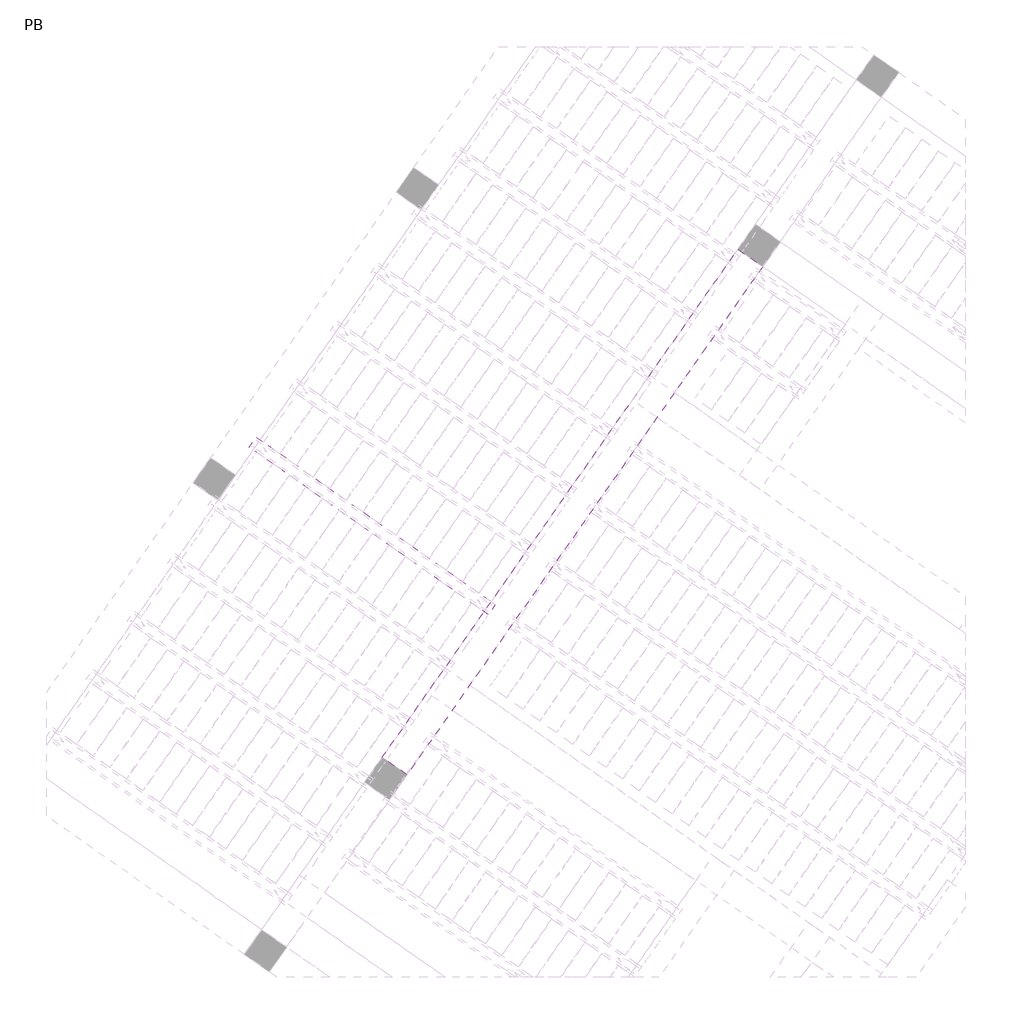
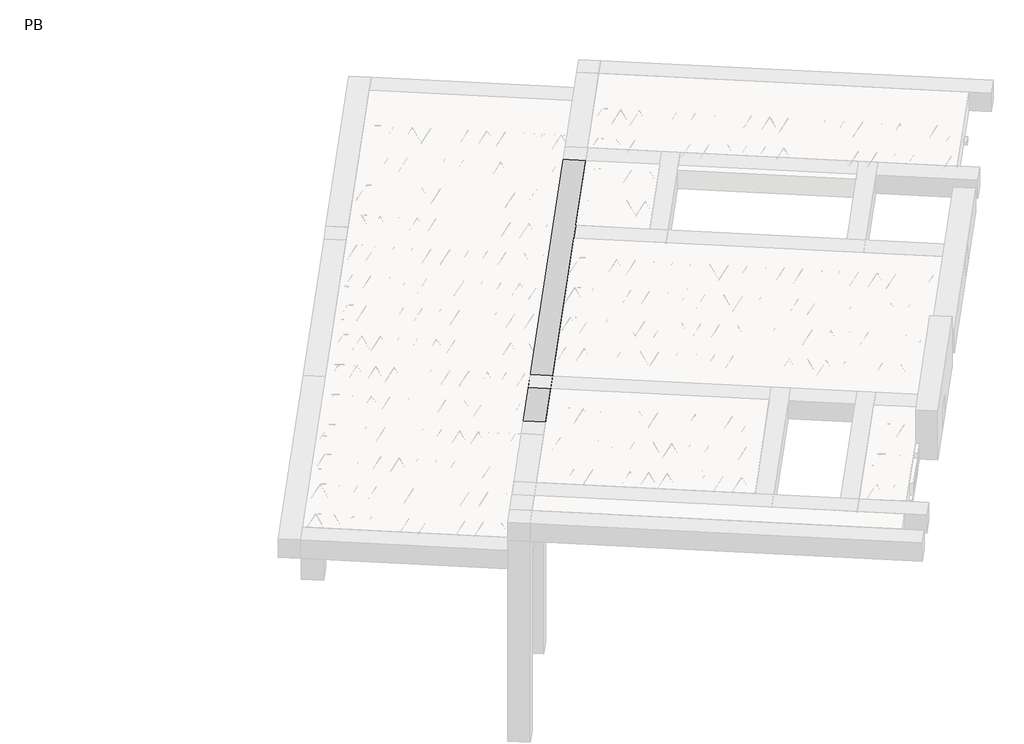
# One storey, part 28 of 56: 3 beams.
"""IFC4 building model written with IfcOpenShell, lengths in millimetres."""

from ifc_helpers import new_model, si_unit, point, frame, origin, origin_2d, place, context, project, spatial, polyline, circle_curve, trimmed, segment, composite_curve, outline, extrude, element, save

model = new_model("IFC4")

# Units and contexts
model_context = context("Model", 3, world=origin())
ifc_project = project(units=[si_unit("LENGTHUNIT", "METRE", prefix="MILLI")], contexts=[model_context])

# Site, building, storey
site = spatial("IfcSite", under=ifc_project)
building = spatial("IfcBuilding", under=site)
storey = spatial("IfcBuildingStorey", under=building, Name="PB", Elevation=95940.0)

# Beams
placement = place(None, origin())
element("IfcBeam", 1, at=placement, inside=storey, context=model_context, shape_type="SweptSolid", body=[
    extrude(outline(polyline([(792.9844499, 5536.7560136), (861.8136223, 5635.054259), (3224.7420937, 3980.5139309), (3155.9129213, 3882.2156856), (792.9844499, 5536.7560136)])), frame((0.0, 0.0, 98760.0), z_axis=(0.0, 0.0, 1.0), x_axis=(1.0, 0.0, 0.0)), (0.0, 0.0, 1.0), 50.0),
    extrude(outline(composite_curve([segment(trimmed(circle_curve(origin_2d(), 2.5), [point((-2.5, 0.0))], [point((2.5000001, 0.0))], False, "CARTESIAN"), True, "CONTINUOUS"), segment(trimmed(circle_curve(origin_2d(), 2.5), [point((2.5000001, 0.0))], [point((-2.5, 0.0))], False, "CARTESIAN"), True, "CONTINUOUS")], self_intersect=False)), frame((3150.0191067, 3915.6411691, 98785.0), z_axis=(-0.8191520442696126, 0.5735764363787226, 0.0), x_axis=(0.5735764363787226, 0.8191520442696126, 0.0)), (0.0, 0.0, 1.0), 2836.603033),
    extrude(outline(composite_curve([segment(trimmed(circle_curve(origin_2d(), 2.5), [point((-2.5, 0.0))], [point((2.5, 0.0))], False, "CARTESIAN"), True, "CONTINUOUS"), segment(trimmed(circle_curve(origin_2d(), 2.5), [point((2.5, 0.0))], [point((-2.5, 0.0))], False, "CARTESIAN"), True, "CONTINUOUS")], self_intersect=False)), frame((3073.7609295, 4012.9856049, 99010.0), z_axis=(-0.8191520442696126, 0.5735764363787226, 0.0), x_axis=(0.5735764363787226, 0.8191520442696126, 0.0)), (0.0, 0.0, 1.0), 2600.0),
    extrude(outline(composite_curve([segment(trimmed(circle_curve(origin_2d(), 2.5), [point((-2.5, 0.0))], [point((2.5, 0.0))], False, "CARTESIAN"), True, "CONTINUOUS"), segment(trimmed(circle_curve(origin_2d(), 2.5), [point((2.5, 0.0))], [point((-2.5, 0.0))], False, "CARTESIAN"), True, "CONTINUOUS")], self_intersect=False)), frame((3114.5485811, 3940.4778986, 98785.0), z_axis=(-0.3145304735701046, 0.38933448886848654, 0.8657304643902053), x_axis=(0.7778747638402499, 0.6284193279813057, 0.0)), (0.0, 0.0, 1.0), 259.8961331),
    extrude(outline(composite_curve([segment(trimmed(circle_curve(origin_2d(), 2.5), [point((2.5000001, 0.0))], [point((-2.5, 0.0))], False, "CARTESIAN"), True, "CONTINUOUS"), segment(trimmed(circle_curve(origin_2d(), 2.5), [point((-2.5, 0.0))], [point((2.5000001, 0.0))], False, "CARTESIAN"), True, "CONTINUOUS")], self_intersect=False)), frame((2909.7605701, 4083.8720077, 98785.0), z_axis=(0.47343050384693375, -0.16240172737369005, 0.8657304643902051), x_axis=(-0.3244721671091268, -0.9458952440791246, 0.0)), (0.0, 0.0, 1.0), 259.8961331),
    extrude(outline(composite_curve([segment(trimmed(circle_curve(origin_2d(), 2.5), [point((-2.5, -1e-07))], [point((2.5, 0.0))], False, "CARTESIAN"), True, "CONTINUOUS"), segment(trimmed(circle_curve(origin_2d(), 2.5), [point((2.5, 0.0))], [point((-2.5, -1e-07))], False, "CARTESIAN"), True, "CONTINUOUS")], self_intersect=False)), frame((2909.7605701, 4083.8720077, 98785.0), z_axis=(-0.3145304735701046, 0.38933448886848654, 0.8657304643902053), x_axis=(0.7778747638402499, 0.6284193279813057, 0.0)), (0.0, 0.0, 1.0), 259.8961331),
    extrude(outline(composite_curve([segment(trimmed(circle_curve(origin_2d(), 2.5), [point((2.5, 0.0))], [point((-2.5000001, 0.0))], False, "CARTESIAN"), True, "CONTINUOUS"), segment(trimmed(circle_curve(origin_2d(), 2.5), [point((-2.5000001, 0.0))], [point((2.5, 0.0))], False, "CARTESIAN"), True, "CONTINUOUS")], self_intersect=False)), frame((2704.972559, 4227.2661167, 98785.0), z_axis=(0.47343050384693375, -0.16240172737369005, 0.8657304643902051), x_axis=(-0.3244721671091268, -0.9458952440791246, 0.0)), (0.0, 0.0, 1.0), 259.8961331),
    extrude(outline(composite_curve([segment(trimmed(circle_curve(origin_2d(), 2.5), [point((-2.5, 0.0))], [point((2.5, 1e-07))], False, "CARTESIAN"), True, "CONTINUOUS"), segment(trimmed(circle_curve(origin_2d(), 2.5), [point((2.5, 1e-07))], [point((-2.5, 0.0))], False, "CARTESIAN"), True, "CONTINUOUS")], self_intersect=False)), frame((2704.972559, 4227.2661167, 98785.0), z_axis=(-0.3145304735701046, 0.38933448886848654, 0.8657304643902053), x_axis=(0.7778747638402499, 0.6284193279813057, 0.0)), (0.0, 0.0, 1.0), 259.8961331),
    extrude(outline(composite_curve([segment(trimmed(circle_curve(origin_2d(), 2.5), [point((2.5, 0.0))], [point((-2.5000001, 0.0))], False, "CARTESIAN"), True, "CONTINUOUS"), segment(trimmed(circle_curve(origin_2d(), 2.5), [point((-2.5000001, 0.0))], [point((2.5, 0.0))], False, "CARTESIAN"), True, "CONTINUOUS")], self_intersect=False)), frame((2500.1845479, 4370.6602258, 98785.0), z_axis=(0.47343050384693375, -0.16240172737369005, 0.8657304643902051), x_axis=(-0.3244721671091268, -0.9458952440791246, 0.0)), (0.0, 0.0, 1.0), 259.8961331),
    extrude(outline(composite_curve([segment(trimmed(circle_curve(origin_2d(), 2.5), [point((-2.5, 0.0))], [point((2.5, 1e-07))], False, "CARTESIAN"), True, "CONTINUOUS"), segment(trimmed(circle_curve(origin_2d(), 2.5), [point((2.5, 1e-07))], [point((-2.5, 0.0))], False, "CARTESIAN"), True, "CONTINUOUS")], self_intersect=False)), frame((2500.1845479, 4370.6602258, 98785.0), z_axis=(-0.3145304735701046, 0.38933448886848654, 0.8657304643902053), x_axis=(0.7778747638402499, 0.6284193279813057, 0.0)), (0.0, 0.0, 1.0), 259.8961331),
    extrude(outline(composite_curve([segment(trimmed(circle_curve(origin_2d(), 2.5), [point((2.5, 0.0))], [point((-2.5, 0.0))], False, "CARTESIAN"), True, "CONTINUOUS"), segment(trimmed(circle_curve(origin_2d(), 2.5), [point((-2.5, 0.0))], [point((2.5, 0.0))], False, "CARTESIAN"), True, "CONTINUOUS")], self_intersect=False)), frame((2295.3965369, 4514.0543349, 98785.0), z_axis=(0.47343050384693375, -0.16240172737369005, 0.8657304643902051), x_axis=(-0.3244721671091268, -0.9458952440791246, 0.0)), (0.0, 0.0, 1.0), 259.8961331),
    extrude(outline(composite_curve([segment(trimmed(circle_curve(origin_2d(), 2.5), [point((-2.5, -1e-07))], [point((2.5, 0.0))], False, "CARTESIAN"), True, "CONTINUOUS"), segment(trimmed(circle_curve(origin_2d(), 2.5), [point((2.5, 0.0))], [point((-2.5, -1e-07))], False, "CARTESIAN"), True, "CONTINUOUS")], self_intersect=False)), frame((2295.3965371, 4514.0543348, 98785.0), z_axis=(-0.3145304735701046, 0.38933448886848654, 0.8657304643902053), x_axis=(0.7778747638402499, 0.6284193279813057, 0.0)), (0.0, 0.0, 1.0), 259.8961331),
    extrude(outline(composite_curve([segment(trimmed(circle_curve(origin_2d(), 2.5), [point((2.5000001, 0.0))], [point((-2.5, 0.0))], False, "CARTESIAN"), True, "CONTINUOUS"), segment(trimmed(circle_curve(origin_2d(), 2.5), [point((-2.5, 0.0))], [point((2.5000001, 0.0))], False, "CARTESIAN"), True, "CONTINUOUS")], self_intersect=False)), frame((2090.6085261, 4657.4484439, 98785.0), z_axis=(0.47343050384693375, -0.16240172737369005, 0.8657304643902051), x_axis=(-0.3244721671091268, -0.9458952440791246, 0.0)), (0.0, 0.0, 1.0), 259.8961331),
    extrude(outline(composite_curve([segment(trimmed(circle_curve(origin_2d(), 2.5), [point((-2.5000001, 0.0))], [point((2.5, 0.0))], False, "CARTESIAN"), True, "CONTINUOUS"), segment(trimmed(circle_curve(origin_2d(), 2.5), [point((2.5, 0.0))], [point((-2.5000001, 0.0))], False, "CARTESIAN"), True, "CONTINUOUS")], self_intersect=False)), frame((2090.6085261, 4657.4484439, 98785.0), z_axis=(-0.3145304735701046, 0.38933448886848654, 0.8657304643902053), x_axis=(0.7778747638402499, 0.6284193279813057, 0.0)), (0.0, 0.0, 1.0), 259.8961331),
    extrude(outline(composite_curve([segment(trimmed(circle_curve(origin_2d(), 2.5), [point((2.5000001, 0.0))], [point((-2.5, 0.0))], False, "CARTESIAN"), True, "CONTINUOUS"), segment(trimmed(circle_curve(origin_2d(), 2.5), [point((-2.5, 0.0))], [point((2.5000001, 0.0))], False, "CARTESIAN"), True, "CONTINUOUS")], self_intersect=False)), frame((1885.820515, 4800.842553, 98785.0), z_axis=(0.47343050384693375, -0.16240172737369005, 0.8657304643902051), x_axis=(-0.3244721671091268, -0.9458952440791246, 0.0)), (0.0, 0.0, 1.0), 259.8961331),
    extrude(outline(composite_curve([segment(trimmed(circle_curve(origin_2d(), 2.5), [point((-2.5, -1e-07))], [point((2.5, 0.0))], False, "CARTESIAN"), True, "CONTINUOUS"), segment(trimmed(circle_curve(origin_2d(), 2.5), [point((2.5, 0.0))], [point((-2.5, -1e-07))], False, "CARTESIAN"), True, "CONTINUOUS")], self_intersect=False)), frame((1885.820515, 4800.842553, 98785.0), z_axis=(-0.3145304735701046, 0.38933448886848654, 0.8657304643902053), x_axis=(0.7778747638402499, 0.6284193279813057, 0.0)), (0.0, 0.0, 1.0), 259.8961331),
    extrude(outline(composite_curve([segment(trimmed(circle_curve(origin_2d(), 2.5), [point((2.5, 0.0))], [point((-2.5000001, 0.0))], False, "CARTESIAN"), True, "CONTINUOUS"), segment(trimmed(circle_curve(origin_2d(), 2.5), [point((-2.5000001, 0.0))], [point((2.5, 0.0))], False, "CARTESIAN"), True, "CONTINUOUS")], self_intersect=False)), frame((1681.0325039, 4944.236662, 98785.0), z_axis=(0.47343050384693375, -0.16240172737369005, 0.8657304643902051), x_axis=(-0.3244721671091268, -0.9458952440791246, 0.0)), (0.0, 0.0, 1.0), 259.8961331),
    extrude(outline(composite_curve([segment(trimmed(circle_curve(origin_2d(), 2.5), [point((-2.5, 0.0))], [point((2.5, 1e-07))], False, "CARTESIAN"), True, "CONTINUOUS"), segment(trimmed(circle_curve(origin_2d(), 2.5), [point((2.5, 1e-07))], [point((-2.5, 0.0))], False, "CARTESIAN"), True, "CONTINUOUS")], self_intersect=False)), frame((1681.0325039, 4944.236662, 98785.0), z_axis=(-0.3145304735701046, 0.38933448886848654, 0.8657304643902053), x_axis=(0.7778747638402499, 0.6284193279813057, 0.0)), (0.0, 0.0, 1.0), 259.8961331),
    extrude(outline(composite_curve([segment(trimmed(circle_curve(origin_2d(), 2.5), [point((2.5, -1e-07))], [point((-2.5000001, 0.0))], False, "CARTESIAN"), True, "CONTINUOUS"), segment(trimmed(circle_curve(origin_2d(), 2.5), [point((-2.5000001, 0.0))], [point((2.5, -1e-07))], False, "CARTESIAN"), True, "CONTINUOUS")], self_intersect=False)), frame((1476.2444929, 5087.6307711, 98785.0), z_axis=(0.47343050384693375, -0.16240172737369005, 0.8657304643902051), x_axis=(-0.3244721671091268, -0.9458952440791246, 0.0)), (0.0, 0.0, 1.0), 259.8961331),
    extrude(outline(composite_curve([segment(trimmed(circle_curve(origin_2d(), 2.5), [point((-2.5, 0.0))], [point((2.5000001, 0.0))], False, "CARTESIAN"), True, "CONTINUOUS"), segment(trimmed(circle_curve(origin_2d(), 2.5), [point((2.5000001, 0.0))], [point((-2.5, 0.0))], False, "CARTESIAN"), True, "CONTINUOUS")], self_intersect=False)), frame((1476.2444928, 5087.6307711, 98785.0), z_axis=(-0.3145304735701046, 0.38933448886848654, 0.8657304643902053), x_axis=(0.7778747638402499, 0.6284193279813057, 0.0)), (0.0, 0.0, 1.0), 259.8961331),
    extrude(outline(composite_curve([segment(trimmed(circle_curve(origin_2d(), 2.5), [point((2.5, 0.0))], [point((-2.5, 0.0))], False, "CARTESIAN"), True, "CONTINUOUS"), segment(trimmed(circle_curve(origin_2d(), 2.5), [point((-2.5, 0.0))], [point((2.5, 0.0))], False, "CARTESIAN"), True, "CONTINUOUS")], self_intersect=False)), frame((1271.4564818, 5231.0248802, 98785.0), z_axis=(0.47343050384693375, -0.16240172737369005, 0.8657304643902051), x_axis=(-0.3244721671091268, -0.9458952440791246, 0.0)), (0.0, 0.0, 1.0), 259.8961331),
    extrude(outline(composite_curve([segment(trimmed(circle_curve(origin_2d(), 2.5), [point((-2.5, 0.0))], [point((2.5, 1e-07))], False, "CARTESIAN"), True, "CONTINUOUS"), segment(trimmed(circle_curve(origin_2d(), 2.5), [point((2.5, 1e-07))], [point((-2.5, 0.0))], False, "CARTESIAN"), True, "CONTINUOUS")], self_intersect=False)), frame((1271.4564818, 5231.0248802, 98785.0), z_axis=(-0.3145304735701046, 0.38933448886848654, 0.8657304643902053), x_axis=(0.7778747638402499, 0.6284193279813057, 0.0)), (0.0, 0.0, 1.0), 259.8961331),
    extrude(outline(composite_curve([segment(trimmed(circle_curve(origin_2d(), 2.5), [point((2.5, 0.0))], [point((-2.5, 0.0))], False, "CARTESIAN"), True, "CONTINUOUS"), segment(trimmed(circle_curve(origin_2d(), 2.5), [point((-2.5, 0.0))], [point((2.5, 0.0))], False, "CARTESIAN"), True, "CONTINUOUS")], self_intersect=False)), frame((1066.6684707, 5374.4189893, 98785.0), z_axis=(0.47343050384693375, -0.16240172737369005, 0.8657304643902051), x_axis=(-0.3244721671091268, -0.9458952440791246, 0.0)), (0.0, 0.0, 1.0), 259.8961331),
    extrude(outline(composite_curve([segment(trimmed(circle_curve(origin_2d(), 2.5), [point((-2.5, 0.0))], [point((2.5, 1e-07))], False, "CARTESIAN"), True, "CONTINUOUS"), segment(trimmed(circle_curve(origin_2d(), 2.5), [point((2.5, 1e-07))], [point((-2.5, 0.0))], False, "CARTESIAN"), True, "CONTINUOUS")], self_intersect=False)), frame((1066.6684707, 5374.4189893, 98785.0), z_axis=(-0.3145304735701046, 0.38933448886848654, 0.8657304643902053), x_axis=(0.7778747638402499, 0.6284193279813057, 0.0)), (0.0, 0.0, 1.0), 259.8961331),
    extrude(outline(composite_curve([segment(trimmed(circle_curve(origin_2d(), 2.5), [point((2.5, 0.0))], [point((-2.5, 1e-07))], False, "CARTESIAN"), True, "CONTINUOUS"), segment(trimmed(circle_curve(origin_2d(), 2.5), [point((-2.5, 1e-07))], [point((2.5, 0.0))], False, "CARTESIAN"), True, "CONTINUOUS")], self_intersect=False)), frame((861.8804596, 5517.8130984, 98785.0), z_axis=(0.47343050384693375, -0.16240172737369005, 0.8657304643902051), x_axis=(-0.3244721671091268, -0.9458952440791246, 0.0)), (0.0, 0.0, 1.0), 259.8961331),
    extrude(outline(composite_curve([segment(trimmed(circle_curve(origin_2d(), 2.5), [point((-2.5, 0.0))], [point((2.4999999, 0.0))], False, "CARTESIAN"), True, "CONTINUOUS"), segment(trimmed(circle_curve(origin_2d(), 2.5), [point((2.4999999, 0.0))], [point((-2.5, 0.0))], False, "CARTESIAN"), True, "CONTINUOUS")], self_intersect=False)), frame((3191.3166102, 3974.6201163, 98785.0), z_axis=(-0.8191520442696126, 0.5735764363787226, 0.0), x_axis=(0.5735764363787226, 0.8191520442696126, 0.0)), (0.0, 0.0, 1.0), 2836.603033),
    extrude(outline(composite_curve([segment(trimmed(circle_curve(origin_2d(), 2.5), [point((-2.5, 0.0))], [point((2.5, -1e-07))], False, "CARTESIAN"), True, "CONTINUOUS"), segment(trimmed(circle_curve(origin_2d(), 2.5), [point((2.5, -1e-07))], [point((-2.5, 0.0))], False, "CARTESIAN"), True, "CONTINUOUS")], self_intersect=False)), frame((3155.8460845, 3999.4568458, 98785.0), z_axis=(-0.47343050384693375, 0.16240172737369005, 0.8657304643902051), x_axis=(0.3244721671091268, 0.9458952440791246, 0.0)), (0.0, 0.0, 1.0), 259.8961331),
    extrude(outline(composite_curve([segment(trimmed(circle_curve(origin_2d(), 2.5), [point((2.5, 0.0))], [point((-2.5, -1e-07))], False, "CARTESIAN"), True, "CONTINUOUS"), segment(trimmed(circle_curve(origin_2d(), 2.5), [point((-2.5, -1e-07))], [point((2.5, 0.0))], False, "CARTESIAN"), True, "CONTINUOUS")], self_intersect=False)), frame((2951.0580735, 4142.8509548, 98785.0), z_axis=(0.3145304735701046, -0.38933448886848654, 0.8657304643902053), x_axis=(-0.7778747638402499, -0.6284193279813057, 0.0)), (0.0, 0.0, 1.0), 259.8961331),
    extrude(outline(composite_curve([segment(trimmed(circle_curve(origin_2d(), 2.5), [point((-2.5, 0.0))], [point((2.5000001, 0.0))], False, "CARTESIAN"), True, "CONTINUOUS"), segment(trimmed(circle_curve(origin_2d(), 2.5), [point((2.5000001, 0.0))], [point((-2.5, 0.0))], False, "CARTESIAN"), True, "CONTINUOUS")], self_intersect=False)), frame((2951.0580735, 4142.8509548, 98785.0), z_axis=(-0.47343050384693375, 0.16240172737369005, 0.8657304643902051), x_axis=(0.3244721671091268, 0.9458952440791246, 0.0)), (0.0, 0.0, 1.0), 259.8961331),
    extrude(outline(composite_curve([segment(trimmed(circle_curve(origin_2d(), 2.5), [point((2.5, 0.0))], [point((-2.5, -1e-07))], False, "CARTESIAN"), True, "CONTINUOUS"), segment(trimmed(circle_curve(origin_2d(), 2.5), [point((-2.5, -1e-07))], [point((2.5, 0.0))], False, "CARTESIAN"), True, "CONTINUOUS")], self_intersect=False)), frame((2746.2700624, 4286.2450639, 98785.0), z_axis=(0.3145304735701046, -0.38933448886848654, 0.8657304643902053), x_axis=(-0.7778747638402499, -0.6284193279813057, 0.0)), (0.0, 0.0, 1.0), 259.8961331),
    extrude(outline(composite_curve([segment(trimmed(circle_curve(origin_2d(), 2.5), [point((-2.5, 0.0))], [point((2.5, 0.0))], False, "CARTESIAN"), True, "CONTINUOUS"), segment(trimmed(circle_curve(origin_2d(), 2.5), [point((2.5, 0.0))], [point((-2.5, 0.0))], False, "CARTESIAN"), True, "CONTINUOUS")], self_intersect=False)), frame((2746.2700624, 4286.2450639, 98785.0), z_axis=(-0.47343050384693375, 0.16240172737369005, 0.8657304643902051), x_axis=(0.3244721671091268, 0.9458952440791246, 0.0)), (0.0, 0.0, 1.0), 259.8961331),
    extrude(outline(composite_curve([segment(trimmed(circle_curve(origin_2d(), 2.5), [point((2.5, 0.0))], [point((-2.5, 0.0))], False, "CARTESIAN"), True, "CONTINUOUS"), segment(trimmed(circle_curve(origin_2d(), 2.5), [point((-2.5, 0.0))], [point((2.5, 0.0))], False, "CARTESIAN"), True, "CONTINUOUS")], self_intersect=False)), frame((2541.4820514, 4429.639173, 98785.0), z_axis=(0.3145304735701046, -0.38933448886848654, 0.8657304643902053), x_axis=(-0.7778747638402499, -0.6284193279813057, 0.0)), (0.0, 0.0, 1.0), 259.8961331),
    extrude(outline(composite_curve([segment(trimmed(circle_curve(origin_2d(), 2.5), [point((-2.5, 1e-07))], [point((2.5, 0.0))], False, "CARTESIAN"), True, "CONTINUOUS"), segment(trimmed(circle_curve(origin_2d(), 2.5), [point((2.5, 0.0))], [point((-2.5, 1e-07))], False, "CARTESIAN"), True, "CONTINUOUS")], self_intersect=False)), frame((2541.4820514, 4429.639173, 98785.0), z_axis=(-0.47343050384693375, 0.16240172737369005, 0.8657304643902051), x_axis=(0.3244721671091268, 0.9458952440791246, 0.0)), (0.0, 0.0, 1.0), 259.8961331),
    extrude(outline(composite_curve([segment(trimmed(circle_curve(origin_2d(), 2.5), [point((2.5, 0.0))], [point((-2.5, 0.0))], False, "CARTESIAN"), True, "CONTINUOUS"), segment(trimmed(circle_curve(origin_2d(), 2.5), [point((-2.5, 0.0))], [point((2.5, 0.0))], False, "CARTESIAN"), True, "CONTINUOUS")], self_intersect=False)), frame((2336.6940403, 4573.0332821, 98785.0), z_axis=(0.3145304735701046, -0.38933448886848654, 0.8657304643902053), x_axis=(-0.7778747638402499, -0.6284193279813057, 0.0)), (0.0, 0.0, 1.0), 259.8961331),
    extrude(outline(composite_curve([segment(trimmed(circle_curve(origin_2d(), 2.5), [point((-2.5000001, 0.0))], [point((2.5, -1e-07))], False, "CARTESIAN"), True, "CONTINUOUS"), segment(trimmed(circle_curve(origin_2d(), 2.5), [point((2.5, -1e-07))], [point((-2.5000001, 0.0))], False, "CARTESIAN"), True, "CONTINUOUS")], self_intersect=False)), frame((2336.6940405, 4573.033282, 98785.0), z_axis=(-0.47343050384693375, 0.16240172737369005, 0.8657304643902051), x_axis=(0.3244721671091268, 0.9458952440791246, 0.0)), (0.0, 0.0, 1.0), 259.8961331),
    extrude(outline(composite_curve([segment(trimmed(circle_curve(origin_2d(), 2.5), [point((2.5, 0.0))], [point((-2.5, -1e-07))], False, "CARTESIAN"), True, "CONTINUOUS"), segment(trimmed(circle_curve(origin_2d(), 2.5), [point((-2.5, -1e-07))], [point((2.5, 0.0))], False, "CARTESIAN"), True, "CONTINUOUS")], self_intersect=False)), frame((2131.9060295, 4716.427391, 98785.0), z_axis=(0.3145304735701046, -0.38933448886848654, 0.8657304643902053), x_axis=(-0.7778747638402499, -0.6284193279813057, 0.0)), (0.0, 0.0, 1.0), 259.8961331),
    extrude(outline(composite_curve([segment(trimmed(circle_curve(origin_2d(), 2.5), [point((-2.5, 0.0))], [point((2.5000001, 0.0))], False, "CARTESIAN"), True, "CONTINUOUS"), segment(trimmed(circle_curve(origin_2d(), 2.5), [point((2.5000001, 0.0))], [point((-2.5, 0.0))], False, "CARTESIAN"), True, "CONTINUOUS")], self_intersect=False)), frame((2131.9060295, 4716.427391, 98785.0), z_axis=(-0.47343050384693375, 0.16240172737369005, 0.8657304643902051), x_axis=(0.3244721671091268, 0.9458952440791246, 0.0)), (0.0, 0.0, 1.0), 259.8961331),
    extrude(outline(composite_curve([segment(trimmed(circle_curve(origin_2d(), 2.5), [point((2.5, 0.0))], [point((-2.5, -1e-07))], False, "CARTESIAN"), True, "CONTINUOUS"), segment(trimmed(circle_curve(origin_2d(), 2.5), [point((-2.5, -1e-07))], [point((2.5, 0.0))], False, "CARTESIAN"), True, "CONTINUOUS")], self_intersect=False)), frame((1927.1180184, 4859.8215001, 98785.0), z_axis=(0.3145304735701046, -0.38933448886848654, 0.8657304643902053), x_axis=(-0.7778747638402499, -0.6284193279813057, 0.0)), (0.0, 0.0, 1.0), 259.8961331),
    extrude(outline(composite_curve([segment(trimmed(circle_curve(origin_2d(), 2.5), [point((-2.5, 0.0))], [point((2.5000001, 0.0))], False, "CARTESIAN"), True, "CONTINUOUS"), segment(trimmed(circle_curve(origin_2d(), 2.5), [point((2.5000001, 0.0))], [point((-2.5, 0.0))], False, "CARTESIAN"), True, "CONTINUOUS")], self_intersect=False)), frame((1927.1180184, 4859.8215001, 98785.0), z_axis=(-0.47343050384693375, 0.16240172737369005, 0.8657304643902051), x_axis=(0.3244721671091268, 0.9458952440791246, 0.0)), (0.0, 0.0, 1.0), 259.8961331),
    extrude(outline(composite_curve([segment(trimmed(circle_curve(origin_2d(), 2.5), [point((2.5, 0.0))], [point((-2.5, -1e-07))], False, "CARTESIAN"), True, "CONTINUOUS"), segment(trimmed(circle_curve(origin_2d(), 2.5), [point((-2.5, -1e-07))], [point((2.5, 0.0))], False, "CARTESIAN"), True, "CONTINUOUS")], self_intersect=False)), frame((1722.3300073, 5003.2156092, 98785.0), z_axis=(0.3145304735701046, -0.38933448886848654, 0.8657304643902053), x_axis=(-0.7778747638402499, -0.6284193279813057, 0.0)), (0.0, 0.0, 1.0), 259.8961331),
    extrude(outline(composite_curve([segment(trimmed(circle_curve(origin_2d(), 2.5), [point((-2.5, 0.0))], [point((2.5, -1e-07))], False, "CARTESIAN"), True, "CONTINUOUS"), segment(trimmed(circle_curve(origin_2d(), 2.5), [point((2.5, -1e-07))], [point((-2.5, 0.0))], False, "CARTESIAN"), True, "CONTINUOUS")], self_intersect=False)), frame((1722.3300073, 5003.2156092, 98785.0), z_axis=(-0.47343050384693375, 0.16240172737369005, 0.8657304643902051), x_axis=(0.3244721671091268, 0.9458952440791246, 0.0)), (0.0, 0.0, 1.0), 259.8961331),
    extrude(outline(composite_curve([segment(trimmed(circle_curve(origin_2d(), 2.5), [point((2.5, 0.0))], [point((-2.5, 0.0))], False, "CARTESIAN"), True, "CONTINUOUS"), segment(trimmed(circle_curve(origin_2d(), 2.5), [point((-2.5, 0.0))], [point((2.5, 0.0))], False, "CARTESIAN"), True, "CONTINUOUS")], self_intersect=False)), frame((1517.5419963, 5146.6097183, 98785.0), z_axis=(0.3145304735701046, -0.38933448886848654, 0.8657304643902053), x_axis=(-0.7778747638402499, -0.6284193279813057, 0.0)), (0.0, 0.0, 1.0), 259.8961331),
    extrude(outline(composite_curve([segment(trimmed(circle_curve(origin_2d(), 2.5), [point((-2.5, 0.0))], [point((2.5, 0.0))], False, "CARTESIAN"), True, "CONTINUOUS"), segment(trimmed(circle_curve(origin_2d(), 2.5), [point((2.5, 0.0))], [point((-2.5, 0.0))], False, "CARTESIAN"), True, "CONTINUOUS")], self_intersect=False)), frame((1517.5419963, 5146.6097183, 98785.0), z_axis=(-0.47343050384693375, 0.16240172737369005, 0.8657304643902051), x_axis=(0.3244721671091268, 0.9458952440791246, 0.0)), (0.0, 0.0, 1.0), 259.8961331),
    extrude(outline(composite_curve([segment(trimmed(circle_curve(origin_2d(), 2.5), [point((2.5, 0.0))], [point((-2.5, 0.0))], False, "CARTESIAN"), True, "CONTINUOUS"), segment(trimmed(circle_curve(origin_2d(), 2.5), [point((-2.5, 0.0))], [point((2.5, 0.0))], False, "CARTESIAN"), True, "CONTINUOUS")], self_intersect=False)), frame((1312.7539852, 5290.0038274, 98785.0), z_axis=(0.3145304735701046, -0.38933448886848654, 0.8657304643902053), x_axis=(-0.7778747638402499, -0.6284193279813057, 0.0)), (0.0, 0.0, 1.0), 259.8961331),
    extrude(outline(composite_curve([segment(trimmed(circle_curve(origin_2d(), 2.5), [point((-2.5, 0.0))], [point((2.5, 0.0))], False, "CARTESIAN"), True, "CONTINUOUS"), segment(trimmed(circle_curve(origin_2d(), 2.5), [point((2.5, 0.0))], [point((-2.5, 0.0))], False, "CARTESIAN"), True, "CONTINUOUS")], self_intersect=False)), frame((1312.7539852, 5290.0038274, 98785.0), z_axis=(-0.47343050384693375, 0.16240172737369005, 0.8657304643902051), x_axis=(0.3244721671091268, 0.9458952440791246, 0.0)), (0.0, 0.0, 1.0), 259.8961331),
    extrude(outline(composite_curve([segment(trimmed(circle_curve(origin_2d(), 2.5), [point((2.5, 0.0))], [point((-2.5, 0.0))], False, "CARTESIAN"), True, "CONTINUOUS"), segment(trimmed(circle_curve(origin_2d(), 2.5), [point((-2.5, 0.0))], [point((2.5, 0.0))], False, "CARTESIAN"), True, "CONTINUOUS")], self_intersect=False)), frame((1107.9659741, 5433.3979365, 98785.0), z_axis=(0.3145304735701046, -0.38933448886848654, 0.8657304643902053), x_axis=(-0.7778747638402499, -0.6284193279813057, 0.0)), (0.0, 0.0, 1.0), 259.8961331),
    extrude(outline(composite_curve([segment(trimmed(circle_curve(origin_2d(), 2.5), [point((-2.5, 0.0))], [point((2.5, -1e-07))], False, "CARTESIAN"), True, "CONTINUOUS"), segment(trimmed(circle_curve(origin_2d(), 2.5), [point((2.5, -1e-07))], [point((-2.5, 0.0))], False, "CARTESIAN"), True, "CONTINUOUS")], self_intersect=False)), frame((1107.9659741, 5433.3979365, 98785.0), z_axis=(-0.47343050384693375, 0.16240172737369005, 0.8657304643902051), x_axis=(0.3244721671091268, 0.9458952440791246, 0.0)), (0.0, 0.0, 1.0), 259.8961331),
    extrude(outline(composite_curve([segment(trimmed(circle_curve(origin_2d(), 2.5), [point((2.5, 0.0))], [point((-2.5, 0.0))], False, "CARTESIAN"), True, "CONTINUOUS"), segment(trimmed(circle_curve(origin_2d(), 2.5), [point((-2.5, 0.0))], [point((2.5, 0.0))], False, "CARTESIAN"), True, "CONTINUOUS")], self_intersect=False)), frame((903.1779631, 5576.7920456, 98785.0), z_axis=(0.3145304735701046, -0.38933448886848654, 0.8657304643902053), x_axis=(-0.7778747638402499, -0.6284193279813057, 0.0)), (0.0, 0.0, 1.0), 259.8961331),
])
element("IfcBeam", 2, at=placement, inside=storey, context=model_context, shape_type="SweptSolid", body=[
    extrude(outline(polyline([(1194.5168379, 6110.1422209), (1263.3460103, 6208.4404662), (3626.2455992, 4553.9203619), (3557.4164268, 4455.6221166), (1194.5168379, 6110.1422209)])), frame((0.0, 0.0, 98760.0), z_axis=(0.0, 0.0, 1.0), x_axis=(1.0, 0.0, 0.0)), (0.0, 0.0, 1.0), 50.0),
])
element("IfcBeam", 3, at=placement, inside=storey, context=model_context, shape_type="SweptSolid", body=[
    extrude(outline(polyline([(2353.4823098, 2300.3643084), (2107.7366965, 2472.4372393), (5620.8923693, 7489.7435104), (5866.6379826, 7317.6705795), (2353.4823098, 2300.3643084)])), frame((0.0, 0.0, 98760.0), z_axis=(0.0, 0.0, 1.0), x_axis=(1.0, 0.0, 0.0)), (0.0, 0.0, 1.0), 760.0),
])

save(model, "model.ifc")
